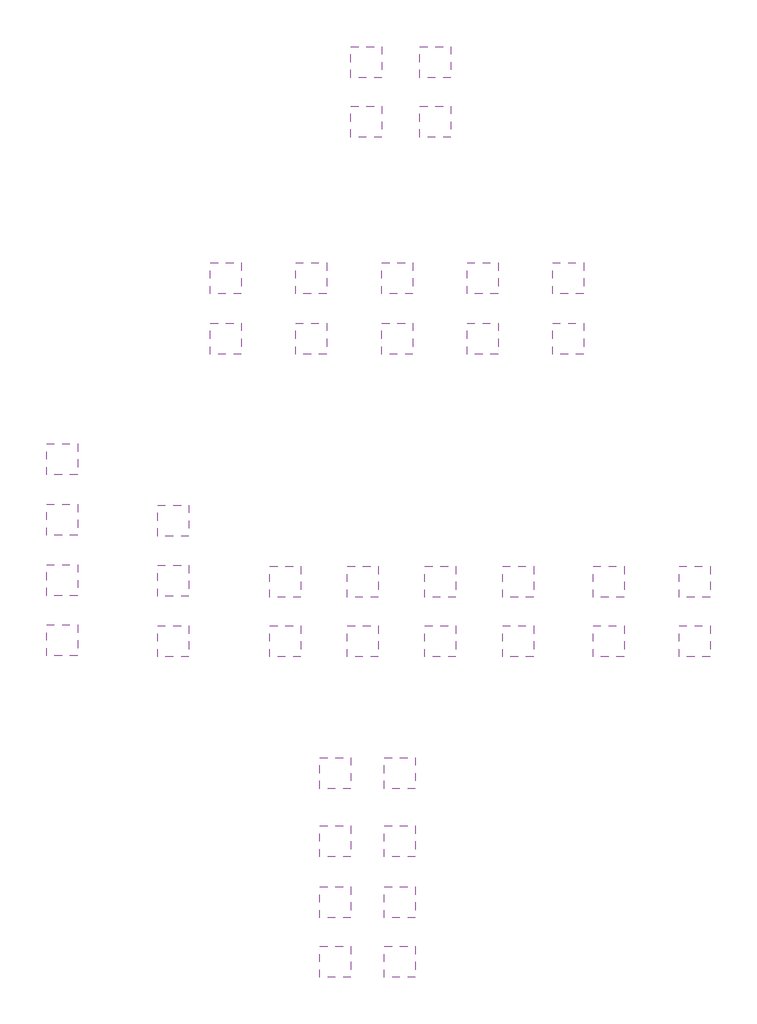
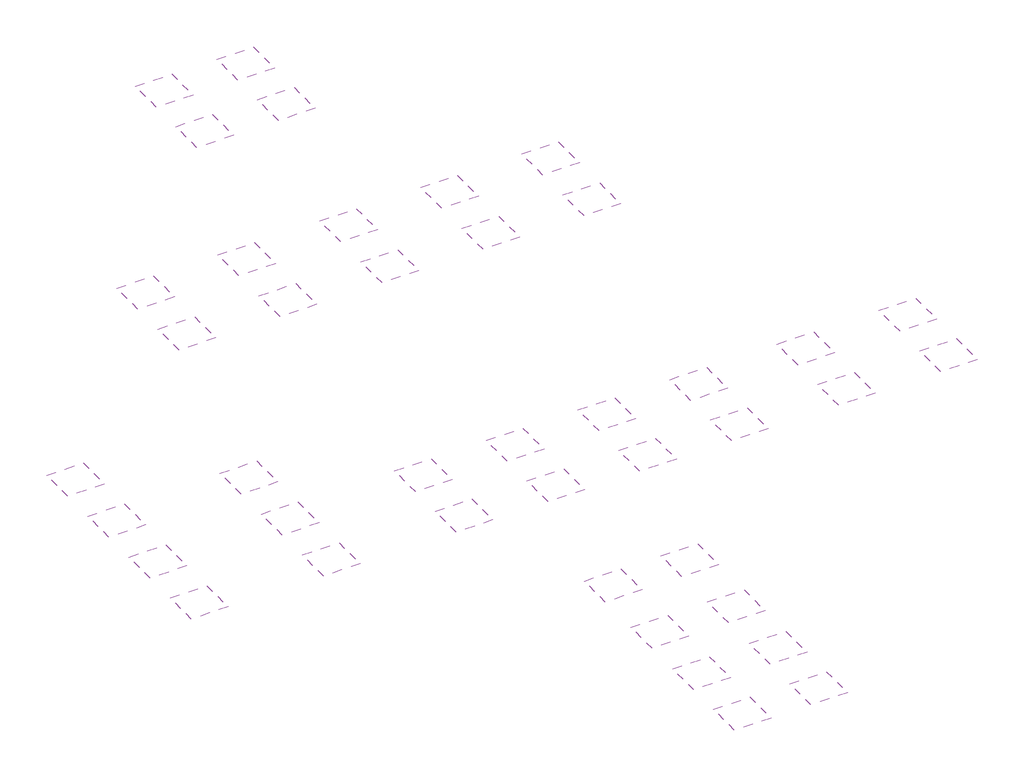
# One storey: 41 coverings.
"""IFC4 building model written with IfcOpenShell, lengths in millimetres."""

from ifc_helpers import new_model, si_unit, frame, origin, place, context, project, spatial, polyline, outline, extrude, element, save

model = new_model("IFC4")

# Units and contexts
model_context = context("Model", 3, world=origin())
ifc_project = project(units=[si_unit("LENGTHUNIT", "METRE", prefix="MILLI")], contexts=[model_context])

# Site, building, storey
site = spatial("IfcSite", under=ifc_project)
building = spatial("IfcBuilding", under=site)
storey = spatial("IfcBuildingStorey", under=building, Elevation=0.0)

# Coverings
placement = place(None, origin())
element("IfcCovering", 1, at=placement, inside=storey, context=model_context, shape_type="SweptSolid", body=[
    extrude(outline(polyline([(778.9468255, -26658.3204959), (778.9468255, -30258.3204959), (-2821.0531745, -30258.3204959), (-2821.0531745, -26658.3204959), (778.9468255, -26658.3204959)])), frame((0.0, 0.0, 2600.0), z_axis=(0.0, 0.0, 1.0), x_axis=(1.0, 0.0, 0.0)), (0.0, 0.0, 1.0), 24.0),
])
element("IfcCovering", 2, at=placement, inside=storey, context=model_context, shape_type="SweptSolid", body=[
    extrude(outline(polyline([(778.9468255, -19758.3204959), (778.9468255, -23358.3204959), (-2821.0531745, -23358.3204959), (-2821.0531745, -19758.3204959), (778.9468255, -19758.3204959)])), frame((0.0, 0.0, 2600.0), z_axis=(0.0, 0.0, 1.0), x_axis=(1.0, 0.0, 0.0)), (0.0, 0.0, 1.0), 24.0),
])
element("IfcCovering", 3, at=placement, inside=storey, context=model_context, shape_type="SweptSolid", body=[
    extrude(outline(polyline([(8278.9468255, -26658.3204959), (8278.9468255, -30258.3204959), (4678.9468255, -30258.3204959), (4678.9468255, -26658.3204959), (8278.9468255, -26658.3204959)])), frame((0.0, 0.0, 2600.0), z_axis=(0.0, 0.0, 1.0), x_axis=(1.0, 0.0, 0.0)), (0.0, 0.0, 1.0), 24.0),
])
element("IfcCovering", 4, at=placement, inside=storey, context=model_context, shape_type="SweptSolid", body=[
    extrude(outline(polyline([(8278.9468255, -19758.3204959), (8278.9468255, -23358.3204959), (4678.9468255, -23358.3204959), (4678.9468255, -19758.3204959), (8278.9468255, -19758.3204959)])), frame((0.0, 0.0, 2600.0), z_axis=(0.0, 0.0, 1.0), x_axis=(1.0, 0.0, 0.0)), (0.0, 0.0, 1.0), 24.0),
])
element("IfcCovering", 5, at=placement, inside=storey, context=model_context, shape_type="SweptSolid", body=[
    extrude(outline(polyline([(8278.9468255, -4758.3204959), (8278.9468255, -8358.3204959), (4678.9468255, -8358.3204959), (4678.9468255, -4758.3204959), (8278.9468255, -4758.3204959)])), frame((0.0, 0.0, 2600.0), z_axis=(0.0, 0.0, 1.0), x_axis=(1.0, 0.0, 0.0)), (0.0, 0.0, 1.0), 29.0),
])
element("IfcCovering", 6, at=placement, inside=storey, context=model_context, shape_type="SweptSolid", body=[
    extrude(outline(polyline([(8278.9468255, -12658.3204959), (8278.9468255, -16258.3204959), (4678.9468255, -16258.3204959), (4678.9468255, -12658.3204959), (8278.9468255, -12658.3204959)])), frame((0.0, 0.0, 2600.0), z_axis=(0.0, 0.0, 1.0), x_axis=(1.0, 0.0, 0.0)), (0.0, 0.0, 1.0), 24.0),
])
element("IfcCovering", 7, at=placement, inside=storey, context=model_context, shape_type="SweptSolid", body=[
    extrude(outline(polyline([(-5021.0531745, 10541.6795041), (-5021.0531745, 6941.6795041), (-8621.0531745, 6941.6795041), (-8621.0531745, 10541.6795041), (-5021.0531745, 10541.6795041)])), frame((0.0, 0.0, 2600.0), z_axis=(0.0, 0.0, 1.0), x_axis=(1.0, 0.0, 0.0)), (0.0, 0.0, 1.0), 44.0),
])
element("IfcCovering", 8, at=placement, inside=storey, context=model_context, shape_type="SweptSolid", body=[
    extrude(outline(polyline([(-5021.0531745, 17441.6795041), (-5021.0531745, 13841.6795041), (-8621.0531745, 13841.6795041), (-8621.0531745, 17441.6795041), (-5021.0531745, 17441.6795041)])), frame((0.0, 0.0, 2600.0), z_axis=(0.0, 0.0, 1.0), x_axis=(1.0, 0.0, 0.0)), (0.0, 0.0, 1.0), 44.0),
])
element("IfcCovering", 9, at=placement, inside=storey, context=model_context, shape_type="SweptSolid", body=[
    extrude(outline(polyline([(4378.9468255, 70841.6795041), (4378.9468255, 67241.6795041), (778.9468255, 67241.6795041), (778.9468255, 70841.6795041), (4378.9468255, 70841.6795041)])), frame((0.0, 0.0, 2600.0), z_axis=(0.0, 0.0, 1.0), x_axis=(1.0, 0.0, 0.0)), (0.0, 0.0, 1.0), 24.0),
])
element("IfcCovering", 10, at=placement, inside=storey, context=model_context, shape_type="SweptSolid", body=[
    extrude(outline(polyline([(12378.9468255, 70841.6795041), (12378.9468255, 67241.6795041), (8778.9468255, 67241.6795041), (8778.9468255, 70841.6795041), (12378.9468255, 70841.6795041)])), frame((0.0, 0.0, 2600.0), z_axis=(0.0, 0.0, 1.0), x_axis=(1.0, 0.0, 0.0)), (0.0, 0.0, 1.0), 24.0),
])
element("IfcCovering", 11, at=placement, inside=storey, context=model_context, shape_type="SweptSolid", body=[
    extrude(outline(polyline([(12378.9468255, 77741.6795041), (12378.9468255, 74141.6795041), (8778.9468255, 74141.6795041), (8778.9468255, 77741.6795041), (12378.9468255, 77741.6795041)])), frame((0.0, 0.0, 2600.0), z_axis=(0.0, 0.0, 1.0), x_axis=(1.0, 0.0, 0.0)), (0.0, 0.0, 1.0), 44.0),
])
element("IfcCovering", 12, at=placement, inside=storey, context=model_context, shape_type="SweptSolid", body=[
    extrude(outline(polyline([(4378.9468255, 77741.6795041), (4378.9468255, 74141.6795041), (778.9468255, 74141.6795041), (778.9468255, 77741.6795041), (4378.9468255, 77741.6795041)])), frame((0.0, 0.0, 2600.0), z_axis=(0.0, 0.0, 1.0), x_axis=(1.0, 0.0, 0.0)), (0.0, 0.0, 1.0), 19.0),
])
element("IfcCovering", 13, at=placement, inside=storey, context=model_context, shape_type="SweptSolid", body=[
    extrude(outline(polyline([(3978.9468255, 10541.6795041), (3978.9468255, 6941.6795041), (378.9468255, 6941.6795041), (378.9468255, 10541.6795041), (3978.9468255, 10541.6795041)])), frame((0.0, 0.0, 2600.0), z_axis=(0.0, 0.0, 1.0), x_axis=(1.0, 0.0, 0.0)), (0.0, 0.0, 1.0), 44.0),
])
element("IfcCovering", 14, at=placement, inside=storey, context=model_context, shape_type="SweptSolid", body=[
    extrude(outline(polyline([(3978.9468255, 17441.6795041), (3978.9468255, 13841.6795041), (378.9468255, 13841.6795041), (378.9468255, 17441.6795041), (3978.9468255, 17441.6795041)])), frame((0.0, 0.0, 2600.0), z_axis=(0.0, 0.0, 1.0), x_axis=(1.0, 0.0, 0.0)), (0.0, 0.0, 1.0), 44.0),
])
element("IfcCovering", 15, at=placement, inside=storey, context=model_context, shape_type="SweptSolid", body=[
    extrude(outline(polyline([(12978.9468255, 10541.6795041), (12978.9468255, 6941.6795041), (9378.9468255, 6941.6795041), (9378.9468255, 10541.6795041), (12978.9468255, 10541.6795041)])), frame((0.0, 0.0, 2600.0), z_axis=(0.0, 0.0, 1.0), x_axis=(1.0, 0.0, 0.0)), (0.0, 0.0, 1.0), 44.0),
])
element("IfcCovering", 16, at=placement, inside=storey, context=model_context, shape_type="SweptSolid", body=[
    extrude(outline(polyline([(12978.9468255, 17441.6795041), (12978.9468255, 13841.6795041), (9378.9468255, 13841.6795041), (9378.9468255, 17441.6795041), (12978.9468255, 17441.6795041)])), frame((0.0, 0.0, 2600.0), z_axis=(0.0, 0.0, 1.0), x_axis=(1.0, 0.0, 0.0)), (0.0, 0.0, 1.0), 44.0),
])
element("IfcCovering", 17, at=placement, inside=storey, context=model_context, shape_type="SweptSolid", body=[
    extrude(outline(polyline([(21978.9468255, 10541.6795041), (21978.9468255, 6941.6795041), (18378.9468255, 6941.6795041), (18378.9468255, 10541.6795041), (21978.9468255, 10541.6795041)])), frame((0.0, 0.0, 2600.0), z_axis=(0.0, 0.0, 1.0), x_axis=(1.0, 0.0, 0.0)), (0.0, 0.0, 1.0), 44.0),
])
element("IfcCovering", 18, at=placement, inside=storey, context=model_context, shape_type="SweptSolid", body=[
    extrude(outline(polyline([(21978.9468255, 17441.6795041), (21978.9468255, 13841.6795041), (18378.9468255, 13841.6795041), (18378.9468255, 17441.6795041), (21978.9468255, 17441.6795041)])), frame((0.0, 0.0, 2600.0), z_axis=(0.0, 0.0, 1.0), x_axis=(1.0, 0.0, 0.0)), (0.0, 0.0, 1.0), 44.0),
])
element("IfcCovering", 19, at=placement, inside=storey, context=model_context, shape_type="SweptSolid", body=[
    extrude(outline(polyline([(32478.9468255, 10541.6795041), (32478.9468255, 6941.6795041), (28878.9468255, 6941.6795041), (28878.9468255, 10541.6795041), (32478.9468255, 10541.6795041)])), frame((0.0, 0.0, 2600.0), z_axis=(0.0, 0.0, 1.0), x_axis=(1.0, 0.0, 0.0)), (0.0, 0.0, 1.0), 44.0),
])
element("IfcCovering", 20, at=placement, inside=storey, context=model_context, shape_type="SweptSolid", body=[
    extrude(outline(polyline([(32478.9468255, 17441.6795041), (32478.9468255, 13841.6795041), (28878.9468255, 13841.6795041), (28878.9468255, 17441.6795041), (32478.9468255, 17441.6795041)])), frame((0.0, 0.0, 2600.0), z_axis=(0.0, 0.0, 1.0), x_axis=(1.0, 0.0, 0.0)), (0.0, 0.0, 1.0), 44.0),
])
element("IfcCovering", 21, at=placement, inside=storey, context=model_context, shape_type="SweptSolid", body=[
    extrude(outline(polyline([(42478.9468255, 10541.6795041), (42478.9468255, 6941.6795041), (38878.9468255, 6941.6795041), (38878.9468255, 10541.6795041), (42478.9468255, 10541.6795041)])), frame((0.0, 0.0, 2600.0), z_axis=(0.0, 0.0, 1.0), x_axis=(1.0, 0.0, 0.0)), (0.0, 0.0, 1.0), 44.0),
])
element("IfcCovering", 22, at=placement, inside=storey, context=model_context, shape_type="SweptSolid", body=[
    extrude(outline(polyline([(42478.9468255, 17441.6795041), (42478.9468255, 13841.6795041), (38878.9468255, 13841.6795041), (38878.9468255, 17441.6795041), (42478.9468255, 17441.6795041)])), frame((0.0, 0.0, 2600.0), z_axis=(0.0, 0.0, 1.0), x_axis=(1.0, 0.0, 0.0)), (0.0, 0.0, 1.0), 44.0),
])
element("IfcCovering", 23, at=placement, inside=storey, context=model_context, shape_type="SweptSolid", body=[
    extrude(outline(polyline([(27778.9468255, 52641.6795041), (27778.9468255, 49041.6795041), (24178.9468255, 49041.6795041), (24178.9468255, 52641.6795041), (27778.9468255, 52641.6795041)])), frame((0.0, 0.0, 2600.0), z_axis=(0.0, 0.0, 1.0), x_axis=(1.0, 0.0, 0.0)), (0.0, 0.0, 1.0), 19.0),
])
element("IfcCovering", 24, at=placement, inside=storey, context=model_context, shape_type="SweptSolid", body=[
    extrude(outline(polyline([(27778.9468255, 45641.6795041), (27778.9468255, 42041.6795041), (24178.9468255, 42041.6795041), (24178.9468255, 45641.6795041), (27778.9468255, 45641.6795041)])), frame((0.0, 0.0, 2600.0), z_axis=(0.0, 0.0, 1.0), x_axis=(1.0, 0.0, 0.0)), (0.0, 0.0, 1.0), 19.0),
])
element("IfcCovering", 25, at=placement, inside=storey, context=model_context, shape_type="SweptSolid", body=[
    extrude(outline(polyline([(17878.9468255, 52641.6795041), (17878.9468255, 49041.6795041), (14278.9468255, 49041.6795041), (14278.9468255, 52641.6795041), (17878.9468255, 52641.6795041)])), frame((0.0, 0.0, 2600.0), z_axis=(0.0, 0.0, 1.0), x_axis=(1.0, 0.0, 0.0)), (0.0, 0.0, 1.0), 19.0),
])
element("IfcCovering", 26, at=placement, inside=storey, context=model_context, shape_type="SweptSolid", body=[
    extrude(outline(polyline([(17878.9468255, 45641.6795041), (17878.9468255, 42041.6795041), (14278.9468255, 42041.6795041), (14278.9468255, 45641.6795041), (17878.9468255, 45641.6795041)])), frame((0.0, 0.0, 2600.0), z_axis=(0.0, 0.0, 1.0), x_axis=(1.0, 0.0, 0.0)), (0.0, 0.0, 1.0), 19.0),
])
element("IfcCovering", 27, at=placement, inside=storey, context=model_context, shape_type="SweptSolid", body=[
    extrude(outline(polyline([(7978.9468255, 52641.6795041), (7978.9468255, 49041.6795041), (4378.9468255, 49041.6795041), (4378.9468255, 52641.6795041), (7978.9468255, 52641.6795041)])), frame((0.0, 0.0, 2600.0), z_axis=(0.0, 0.0, 1.0), x_axis=(1.0, 0.0, 0.0)), (0.0, 0.0, 1.0), 19.0),
])
element("IfcCovering", 28, at=placement, inside=storey, context=model_context, shape_type="SweptSolid", body=[
    extrude(outline(polyline([(7978.9468255, 45641.6795041), (7978.9468255, 42041.6795041), (4378.9468255, 42041.6795041), (4378.9468255, 45641.6795041), (7978.9468255, 45641.6795041)])), frame((0.0, 0.0, 2600.0), z_axis=(0.0, 0.0, 1.0), x_axis=(1.0, 0.0, 0.0)), (0.0, 0.0, 1.0), 19.0),
])
element("IfcCovering", 29, at=placement, inside=storey, context=model_context, shape_type="SweptSolid", body=[
    extrude(outline(polyline([(-2021.0531745, 45641.6795041), (-2021.0531745, 42041.6795041), (-5621.0531745, 42041.6795041), (-5621.0531745, 45641.6795041), (-2021.0531745, 45641.6795041)])), frame((0.0, 0.0, 2600.0), z_axis=(0.0, 0.0, 1.0), x_axis=(1.0, 0.0, 0.0)), (0.0, 0.0, 1.0), 19.0),
])
element("IfcCovering", 30, at=placement, inside=storey, context=model_context, shape_type="SweptSolid", body=[
    extrude(outline(polyline([(-2021.0531745, 52641.6795041), (-2021.0531745, 49041.6795041), (-5621.0531745, 49041.6795041), (-5621.0531745, 52641.6795041), (-2021.0531745, 52641.6795041)])), frame((0.0, 0.0, 2600.0), z_axis=(0.0, 0.0, 1.0), x_axis=(1.0, 0.0, 0.0)), (0.0, 0.0, 1.0), 19.0),
])
element("IfcCovering", 31, at=placement, inside=storey, context=model_context, shape_type="SweptSolid", body=[
    extrude(outline(polyline([(-11921.0531745, 45641.6795041), (-11921.0531745, 42041.6795041), (-15521.0531745, 42041.6795041), (-15521.0531745, 45641.6795041), (-11921.0531745, 45641.6795041)])), frame((0.0, 0.0, 2600.0), z_axis=(0.0, 0.0, 1.0), x_axis=(1.0, 0.0, 0.0)), (0.0, 0.0, 1.0), 19.0),
])
element("IfcCovering", 32, at=placement, inside=storey, context=model_context, shape_type="SweptSolid", body=[
    extrude(outline(polyline([(-11921.0531745, 52641.6795041), (-11921.0531745, 49041.6795041), (-15521.0531745, 49041.6795041), (-15521.0531745, 52641.6795041), (-11921.0531745, 52641.6795041)])), frame((0.0, 0.0, 2600.0), z_axis=(0.0, 0.0, 1.0), x_axis=(1.0, 0.0, 0.0)), (0.0, 0.0, 1.0), 19.0),
])
element("IfcCovering", 33, at=placement, inside=storey, context=model_context, shape_type="SweptSolid", body=[
    extrude(outline(polyline([(-18021.0531745, 10541.6795041), (-18021.0531745, 6941.6795041), (-21621.0531745, 6941.6795041), (-21621.0531745, 10541.6795041), (-18021.0531745, 10541.6795041)])), frame((0.0, 0.0, 2600.0), z_axis=(0.0, 0.0, 1.0), x_axis=(1.0, 0.0, 0.0)), (0.0, 0.0, 1.0), 19.0),
])
element("IfcCovering", 34, at=placement, inside=storey, context=model_context, shape_type="SweptSolid", body=[
    extrude(outline(polyline([(-18021.0531745, 17541.6795041), (-18021.0531745, 13941.6795041), (-21621.0531745, 13941.6795041), (-21621.0531745, 17541.6795041), (-18021.0531745, 17541.6795041)])), frame((0.0, 0.0, 2600.0), z_axis=(0.0, 0.0, 1.0), x_axis=(1.0, 0.0, 0.0)), (0.0, 0.0, 1.0), 19.0),
])
element("IfcCovering", 35, at=placement, inside=storey, context=model_context, shape_type="SweptSolid", body=[
    extrude(outline(polyline([(-18021.0531745, 24541.6795041), (-18021.0531745, 20941.6795041), (-21621.0531745, 20941.6795041), (-21621.0531745, 24541.6795041), (-18021.0531745, 24541.6795041)])), frame((0.0, 0.0, 2600.0), z_axis=(0.0, 0.0, 1.0), x_axis=(1.0, 0.0, 0.0)), (0.0, 0.0, 1.0), 24.0),
])
element("IfcCovering", 36, at=placement, inside=storey, context=model_context, shape_type="SweptSolid", body=[
    extrude(outline(polyline([(-30921.0531745, 10641.6795041), (-30921.0531745, 7041.6795041), (-34521.0531745, 7041.6795041), (-34521.0531745, 10641.6795041), (-30921.0531745, 10641.6795041)])), frame((0.0, 0.0, 2600.0), z_axis=(0.0, 0.0, 1.0), x_axis=(1.0, 0.0, 0.0)), (0.0, 0.0, 1.0), 24.0),
])
element("IfcCovering", 37, at=placement, inside=storey, context=model_context, shape_type="SweptSolid", body=[
    extrude(outline(polyline([(-30921.0531745, 17641.6795041), (-30921.0531745, 14041.6795041), (-34521.0531745, 14041.6795041), (-34521.0531745, 17641.6795041), (-30921.0531745, 17641.6795041)])), frame((0.0, 0.0, 2600.0), z_axis=(0.0, 0.0, 1.0), x_axis=(1.0, 0.0, 0.0)), (0.0, 0.0, 1.0), 24.0),
])
element("IfcCovering", 38, at=placement, inside=storey, context=model_context, shape_type="SweptSolid", body=[
    extrude(outline(polyline([(-30921.0531745, 24641.6795041), (-30921.0531745, 21041.6795041), (-34521.0531745, 21041.6795041), (-34521.0531745, 24641.6795041), (-30921.0531745, 24641.6795041)])), frame((0.0, 0.0, 2600.0), z_axis=(0.0, 0.0, 1.0), x_axis=(1.0, 0.0, 0.0)), (0.0, 0.0, 1.0), 24.0),
])
element("IfcCovering", 39, at=placement, inside=storey, context=model_context, shape_type="SweptSolid", body=[
    extrude(outline(polyline([(-30921.0531745, 31641.6795041), (-30921.0531745, 28041.6795041), (-34521.0531745, 28041.6795041), (-34521.0531745, 31641.6795041), (-30921.0531745, 31641.6795041)])), frame((0.0, 0.0, 2600.0), z_axis=(0.0, 0.0, 1.0), x_axis=(1.0, 0.0, 0.0)), (0.0, 0.0, 1.0), 29.0),
])
element("IfcCovering", 40, at=placement, inside=storey, context=model_context, shape_type="SweptSolid", body=[
    extrude(outline(polyline([(778.9468255, -12658.3204959), (778.9468255, -16258.3204959), (-2821.0531745, -16258.3204959), (-2821.0531745, -12658.3204959), (778.9468255, -12658.3204959)])), frame((0.0, 0.0, 2600.0), z_axis=(0.0, 0.0, 1.0), x_axis=(1.0, 0.0, 0.0)), (0.0, 0.0, 1.0), 24.0),
])
element("IfcCovering", 41, at=placement, inside=storey, context=model_context, shape_type="SweptSolid", body=[
    extrude(outline(polyline([(778.9468255, -4758.3204959), (778.9468255, -8358.3204959), (-2821.0531745, -8358.3204959), (-2821.0531745, -4758.3204959), (778.9468255, -4758.3204959)])), frame((0.0, 0.0, 2600.0), z_axis=(0.0, 0.0, 1.0), x_axis=(1.0, 0.0, 0.0)), (0.0, 0.0, 1.0), 29.0),
])

save(model, "model.ifc")
